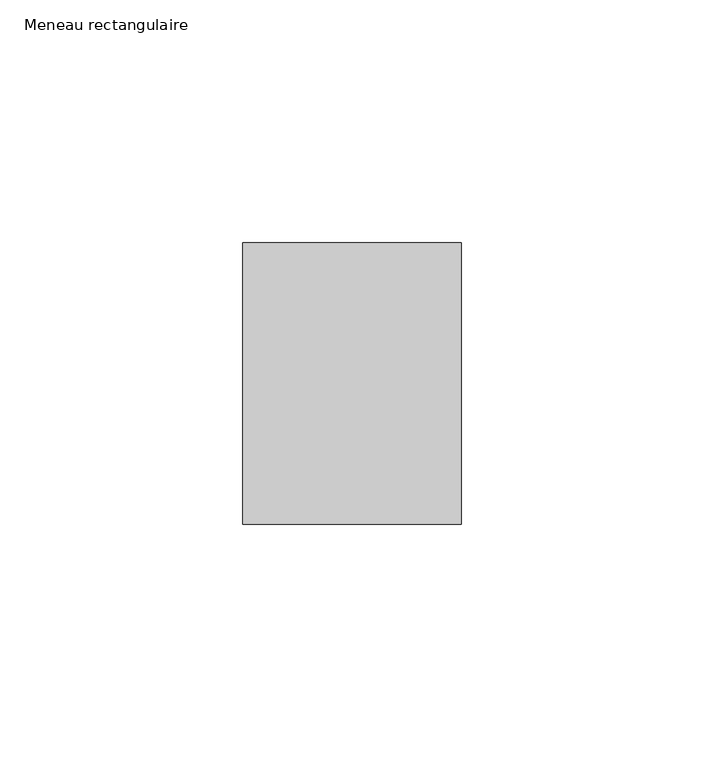
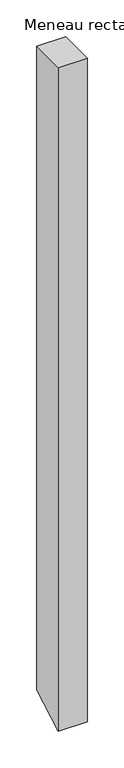
"""IFC4 building model written with IfcOpenShell, lengths in millimetres: member geometry, Meneau rectangulaire."""

from ifc_helpers import new_model, si_unit, frame, origin, place, context, project, spatial, polyline, outline, extrude, source, transform, mapped, element, save


def meneau_rectangulaire_8486b117(model_context):
    return source(origin(), model_context, "Body", "SweptSolid", [
        extrude(outline(polyline([(-29.0, 0.0), (29.0, 0.0), (29.0, -1064.3065778), (-29.0, -1097.7928934), (-29.0, 0.0)])), frame((-45.0, 0.0, 0.0), z_axis=(1.0, 0.0, 0.0), x_axis=(0.0, 1.0, 0.0)), (0.0, 0.0, 1.0), 45.0),
    ])


if __name__ == "__main__":
    model = new_model("IFC4")
    model_context = context("Model", 3, world=origin())
    ifc_project = project(units=[si_unit("LENGTHUNIT", "METRE", prefix="MILLI")], contexts=[model_context])
    site = spatial("IfcSite", under=ifc_project)
    building = spatial("IfcBuilding", under=site)
    placement = place(None, origin())
    meneau_rectangulaire_shape = meneau_rectangulaire_8486b117(model_context)
    element("IfcMember", 1, ObjectType="Meneau rectangulaire", at=placement, inside=building, context=model_context, shape_type="MappedRepresentation", body=[
        mapped(meneau_rectangulaire_shape, transform((0.0, 0.0, 0.0), x_axis=(1.0, 0.0, 0.0), y_axis=(0.0, 1.0, 0.0), z_axis=(0.0, 0.0, 1.0))),
    ])
    save(model, "model.ifc")
